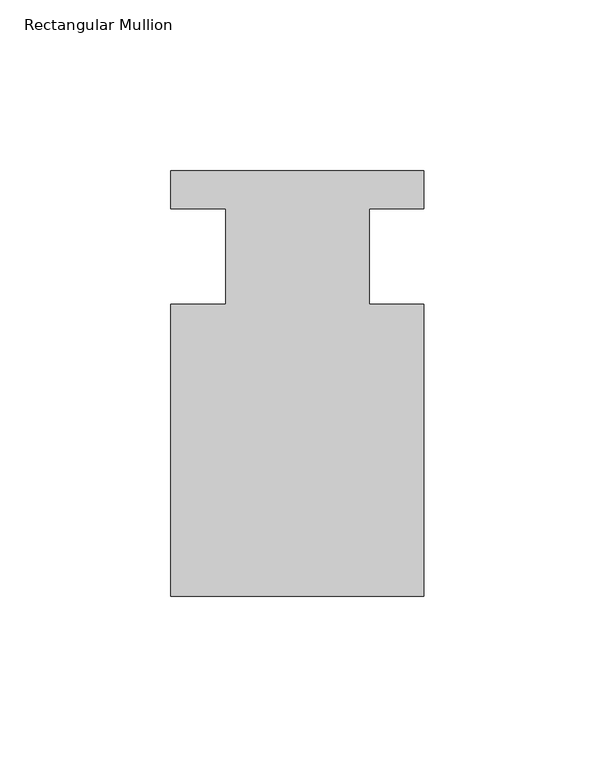
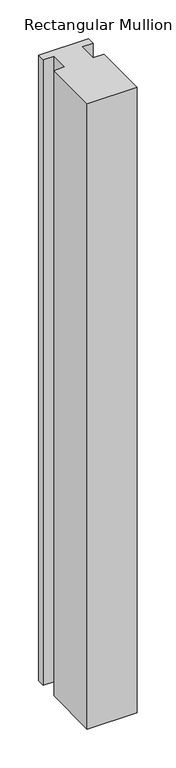
"""IFC4 building model written with IfcOpenShell, lengths in millimetres: member geometry, Rectangular Mullion."""

import ifcopenshell
import ifcopenshell.guid

model = None  # the IFC model being written
_history = None  # IfcOwnerHistory: only IFC2X3 demands one
_inside = {}  # id of a spatial element -> (the spatial element, [elements in it])
_under = {}  # id of a project, library or spatial element -> (it, [spatial elements below it])
_declared = {}  # id of a project -> (the project, [libraries it declares])
_typed = {}  # id of a type object -> (the type object, [elements of that type])
_made_of = {}  # id of a material, layer set ... -> (it, [elements and type objects made of it])


def new_model(schema):
    """Start an empty IFC model of exactly this schema.

    Asked for "IFC4X3", IfcOpenShell would pick the latest addendum, in which some entities
    have other attributes; the version numbers below select the first issue.
    IFC2X3 requires an IfcOwnerHistory on every rooted entity: one is made here for all.
    """
    global model, _history
    if schema == "IFC4X3":
        model = ifcopenshell.file(schema_version=(4, 3, 0, 0))
    else:
        model = ifcopenshell.file(schema=schema)
    _inside.clear()
    _under.clear()
    _declared.clear()
    _typed.clear()
    _made_of.clear()
    _history = None
    if model.schema == "IFC2X3":
        org = make("IfcOrganization", Name="unknown")
        user = make(
            "IfcPersonAndOrganization",
            ThePerson=make("IfcPerson", FamilyName="unknown"),
            TheOrganization=org,
        )
        app = make(
            "IfcApplication",
            ApplicationDeveloper=org,
            Version="unknown",
            ApplicationFullName="unknown",
            ApplicationIdentifier="unknown",
        )
        _history = make(
            "IfcOwnerHistory",
            OwningUser=user,
            OwningApplication=app,
            ChangeAction="ADDED",
            CreationDate=0,
        )
    return model


def make(cls, **values):
    """One entity of the class cls with the attributes given. An attribute that is None is left unset."""
    return model.create_entity(
        cls, **{name: value for name, value in values.items() if value is not None}
    )


def rooted(cls, **values):
    """An entity with a GlobalId (a new one), such as an element, a storey or a relation."""
    return make(cls, GlobalId=ifcopenshell.guid.new(), OwnerHistory=_history, **values)


def si_unit(unit_type, name, prefix=None):
    """IfcSIUnit, for example si_unit("LENGTHUNIT", "METRE", prefix="MILLI")."""
    return make("IfcSIUnit", UnitType=unit_type, Prefix=prefix, Name=name)


def assignment(units):
    """IfcUnitAssignment: the units of a project."""
    return None if units is None else make("IfcUnitAssignment", Units=units)


def point(xyz):
    """IfcCartesianPoint."""
    return None if xyz is None else make("IfcCartesianPoint", Coordinates=xyz)


def direction(xyz):
    """IfcDirection."""
    return None if xyz is None else make("IfcDirection", DirectionRatios=xyz)


def frame(location, z_axis=None, x_axis=None):
    """IfcAxis2Placement3D, a coordinate frame: its origin and axes. An axis left out is left unset."""
    return make(
        "IfcAxis2Placement3D",
        Location=point(location),
        Axis=direction(z_axis),
        RefDirection=direction(x_axis),
    )


def origin():
    """The frame at (0, 0, 0) with its axes left unset."""
    return frame((0.0, 0.0, 0.0))


def place(relative_to, where):
    """IfcLocalPlacement: puts the frame where relative to a parent placement (None: the world)."""
    return make(
        "IfcLocalPlacement", PlacementRelTo=relative_to, RelativePlacement=where
    )


def context(
    kind, dimensions, precision=None, world=None, true_north=None, identifier=None
):
    """IfcGeometricRepresentationContext, for example the 3D "Model" context."""
    return make(
        "IfcGeometricRepresentationContext",
        ContextIdentifier=identifier,
        ContextType=kind,
        CoordinateSpaceDimension=dimensions,
        Precision=precision,
        WorldCoordinateSystem=world,
        TrueNorth=true_north,
    )


def project(units=None, contexts=None):
    """IfcProject with its units and contexts."""
    return rooted(
        "IfcProject",
        Name="project",
        RepresentationContexts=contexts,
        UnitsInContext=assignment(units),
    )


def spatial(cls, under=None, at=None, **own):
    """A site, building, storey or space (cls), placed at a placement, below another one or the project."""
    s = rooted(cls, ObjectPlacement=at, **own)
    if under is not None:
        _under.setdefault(under.id(), (under, []))[1].append(s)
    return s


def polyline(points):
    """IfcPolyline through the points."""
    return make("IfcPolyline", Points=[point(p) for p in points])


def outline(outer, holes=None, kind="AREA"):
    """IfcArbitraryClosedProfileDef: a profile drawn as a closed curve; with holes, ...WithVoids."""
    if holes is None:
        return make("IfcArbitraryClosedProfileDef", ProfileType=kind, OuterCurve=outer)
    return make(
        "IfcArbitraryProfileDefWithVoids",
        ProfileType=kind,
        OuterCurve=outer,
        InnerCurves=holes,
    )


def extrude(swept, where, along, depth):
    """IfcExtrudedAreaSolid: the profile swept, set in the frame where, extruded along a direction by depth."""
    return make(
        "IfcExtrudedAreaSolid",
        SweptArea=swept,
        Position=where,
        ExtrudedDirection=direction(along),
        Depth=depth,
    )


def shape(context_of_items, identifier, shape_type, items):
    """IfcShapeRepresentation: the items that make up one representation, for example the "Body"."""
    return make(
        "IfcShapeRepresentation",
        ContextOfItems=context_of_items,
        RepresentationIdentifier=identifier,
        RepresentationType=shape_type,
        Items=items,
    )


def source(mapping_origin, context_of_items, identifier, shape_type, items):
    """IfcRepresentationMap: a shape defined once, which mapped items show again and again."""
    return make(
        "IfcRepresentationMap",
        MappingOrigin=mapping_origin,
        MappedRepresentation=shape(context_of_items, identifier, shape_type, items),
    )


def transform(
    local_origin,
    x_axis=None,
    y_axis=None,
    z_axis=None,
    scale=None,
    scale2=None,
    scale3=None,
    uniform=True,
):
    """IfcCartesianTransformationOperator3D, or its non-uniform kind. x_axis, y_axis, z_axis: its Axis1, 2, 3."""
    if uniform:
        return make(
            "IfcCartesianTransformationOperator3D",
            Axis1=direction(x_axis),
            Axis2=direction(y_axis),
            LocalOrigin=point(local_origin),
            Scale=scale,
            Axis3=direction(z_axis),
        )
    return make(
        "IfcCartesianTransformationOperator3DnonUniform",
        Axis1=direction(x_axis),
        Axis2=direction(y_axis),
        LocalOrigin=point(local_origin),
        Scale=scale,
        Axis3=direction(z_axis),
        Scale2=scale2,
        Scale3=scale3,
    )


def mapped(mapping_source, mapping_target):
    """IfcMappedItem: shows the shape of a source again, moved by a transform."""
    return make(
        "IfcMappedItem", MappingSource=mapping_source, MappingTarget=mapping_target
    )


def made_of(thing, what):
    """Note that an element or type object is made of a material, layer set ...; save() writes the relation."""
    if what is not None:
        _made_of.setdefault(what.id(), (what, []))[1].append(thing)
    return thing


def element(
    cls,
    number,
    at=None,
    inside=None,
    cuts=None,
    type_object=None,
    material=None,
    context=None,
    identifier="Body",
    shape_type=None,
    held_by="IfcProductDefinitionShape",
    body=None,
    shapes=None,
    **own,
):
    """One element of the class cls, such as IfcWall. Its Tag is "e" and its number.

    at: its placement. inside: the storey or other place that contains it. cuts: it is an
    opening in that element (IfcRelVoidsElement). A single representation is given by context,
    identifier, shape_type and body (its items); several are given by shapes. held_by: the class
    of the entity that holds the representations. save() writes the other relations.
    """
    e = rooted(cls, Tag="e%d" % number, ObjectPlacement=at, **own)
    if body is not None:
        shapes = [shape(context, identifier, shape_type, body)]
    if shapes is not None:
        e.Representation = make(held_by, Representations=shapes)
    if inside is not None:
        _inside.setdefault(inside.id(), (inside, []))[1].append(e)
    if cuts is not None:
        rooted(
            "IfcRelVoidsElement", RelatingBuildingElement=cuts, RelatedOpeningElement=e
        )
    if type_object is not None:
        _typed.setdefault(type_object.id(), (type_object, []))[1].append(e)
    return made_of(e, material)


def aggregate(whole, parts):
    """IfcRelAggregates: a whole, such as a stair, and the parts it consists of."""
    return rooted("IfcRelAggregates", RelatingObject=whole, RelatedObjects=parts)


def save(model, path):
    """Write the relations noted so far, then the file.

    IfcRelAggregates (storeys below a building ...), IfcRelContainedInSpatialStructure (elements
    in a storey), IfcRelDefinesByType, IfcRelAssociatesMaterial and IfcRelDeclares: one each for
    every whole, place, type object, material and project.
    """
    for whole, parts in _under.values():
        aggregate(whole, parts)
    for where, things in _inside.values():
        rooted(
            "IfcRelContainedInSpatialStructure",
            RelatedElements=things,
            RelatingStructure=where,
        )
    for kind, things in _typed.values():
        rooted("IfcRelDefinesByType", RelatedObjects=things, RelatingType=kind)
    for what, things in _made_of.values():
        rooted("IfcRelAssociatesMaterial", RelatedObjects=things, RelatingMaterial=what)
    for by, libraries in _declared.values():
        rooted("IfcRelDeclares", RelatingContext=by, RelatedDefinitions=libraries)
    model.write(path)


def rectangular_mullion_975a43b8(model_context):
    return source(origin(), model_context, "Body", "SweptSolid", [
        extrude(outline(polyline([(-20.9800745, -13.9998907), (-20.9800745, 14.0), (-37.0, 14.0), (-37.0, 25.0), (36.9800745, 25.0), (36.9800745, 14.0), (20.9800745, 14.0), (20.9800745, -13.9998907), (37.0, -13.9998907), (37.0, -99.5), (-37.0, -99.5), (-37.0, -13.9998907), (-20.9800745, -13.9998907)])), frame((0.0, 0.0, -980.1744343), z_axis=(0.0, 0.0, 1.0), x_axis=(1.0, 0.0, 0.0)), (0.0, 0.0, 1.0), 980.1744343),
    ])


if __name__ == "__main__":
    model = new_model("IFC4")
    model_context = context("Model", 3, world=origin())
    ifc_project = project(units=[si_unit("LENGTHUNIT", "METRE", prefix="MILLI")], contexts=[model_context])
    site = spatial("IfcSite", under=ifc_project)
    building = spatial("IfcBuilding", under=site)
    placement = place(None, origin())
    rectangular_mullion_shape = rectangular_mullion_975a43b8(model_context)
    element("IfcMember", 1, ObjectType="Rectangular Mullion", at=placement, inside=building, context=model_context, shape_type="MappedRepresentation", body=[
        mapped(rectangular_mullion_shape, transform((0.0, 0.0, 0.0), x_axis=(1.0, 0.0, 0.0), y_axis=(0.0, 1.0, 0.0), z_axis=(0.0, 0.0, 1.0))),
    ])
    save(model, "model.ifc")
